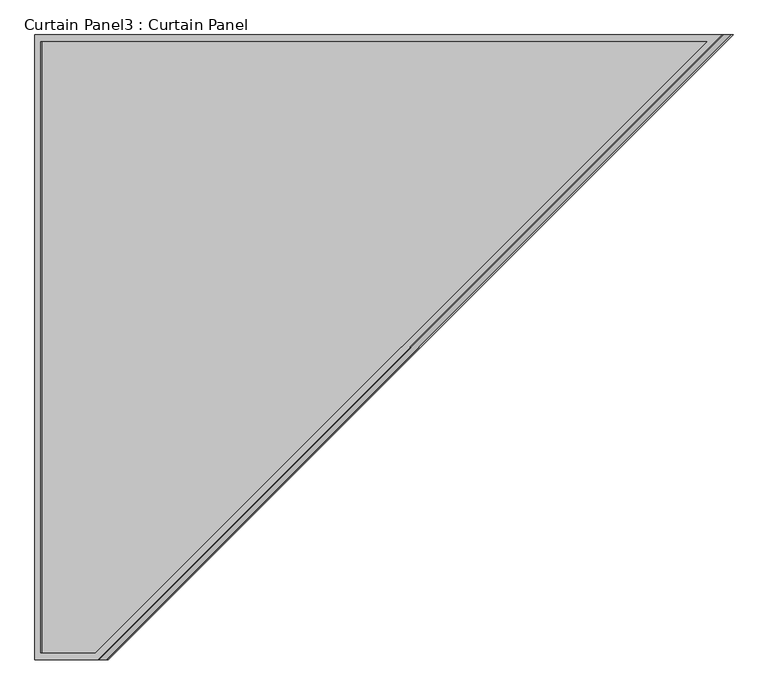
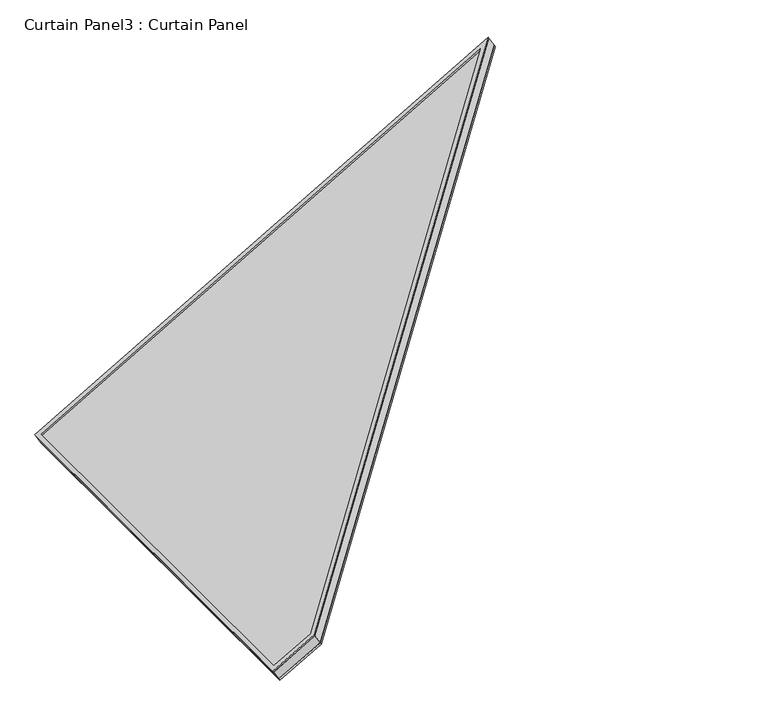
"""IFC4 building model written with IfcOpenShell, lengths in millimetres: plate geometry, Curtain Panel3 : Curtain Panel."""

from ifc_helpers import new_model, si_unit, frame, origin, place, context, project, spatial, polyline, outline, extrude, source, transform, mapped, element, save


def curtain_panel3_curtain_panel_c53f9497(model_context):
    return source(origin(), model_context, "Body", "SweptSolid", [
        extrude(outline(polyline([(1482.7525724, -12.7), (-34.0642674, -12.7), (1344.4172354, 1181.1), (1482.7525724, 1181.1), (1482.7525724, -12.7)]), holes=[polyline([(1470.0525724, 1168.4), (1349.152109, 1168.4), (0.0, 0.0), (1470.0525724, 0.0), (1470.0525724, 1168.4)])]), frame((-9633.7904011, 7269.0537369, 1341.4975079), z_axis=(-0.49999999999999933, 0.0, 0.866025403784439), x_axis=(-0.866025403784439, 0.0, -0.49999999999999933)), (0.0, 0.0, 1.0), 4.767888),
        extrude(outline(polyline([(1482.7525725, -12.7), (-34.0642673, -12.7), (1344.4172355, 1181.1), (1482.7525725, 1181.1), (1482.7525725, -12.7)]), holes=[polyline([(1470.0525725, 1168.4), (1349.152109, 1168.4), (0.0, 0.0), (1470.0525725, 0.0), (1470.0525725, 1168.4)])]), frame((-9615.3629242, 7269.0537369, 1309.5801818), z_axis=(-0.49999999999999883, 0.0, 0.8660254037844394), x_axis=(-0.8660254037844394, 0.0, -0.49999999999999883)), (0.0, 0.0, 1.0), 6.6924537),
        extrude(outline(polyline([(12.7, 0.0), (1206.5, 0.0), (1206.5, -1516.8168397), (12.7, -138.335337), (12.7, 0.0)])), frame((-10902.8105463, 6075.2537369, 573.9997305), z_axis=(-0.49999999999999867, 0.0, 0.8660254037844395), x_axis=(0.0, 1.0, 0.0)), (0.0, 0.0, 1.0), 30.1625),
    ])


if __name__ == "__main__":
    model = new_model("IFC4")
    model_context = context("Model", 3, world=origin())
    ifc_project = project(units=[si_unit("LENGTHUNIT", "METRE", prefix="MILLI")], contexts=[model_context])
    site = spatial("IfcSite", under=ifc_project)
    building = spatial("IfcBuilding", under=site)
    placement = place(None, origin())
    curtain_panel3_curtain_panel_shape = curtain_panel3_curtain_panel_c53f9497(model_context)
    element("IfcPlate", 1, ObjectType="Curtain Panel3 : Curtain Panel", at=placement, inside=building, context=model_context, shape_type="MappedRepresentation", body=[
        mapped(curtain_panel3_curtain_panel_shape, transform((0.0, 0.0, 0.0), x_axis=(1.0, 0.0, 0.0), y_axis=(0.0, 1.0, 0.0), z_axis=(0.0, 0.0, 1.0))),
    ])
    save(model, "model.ifc")
